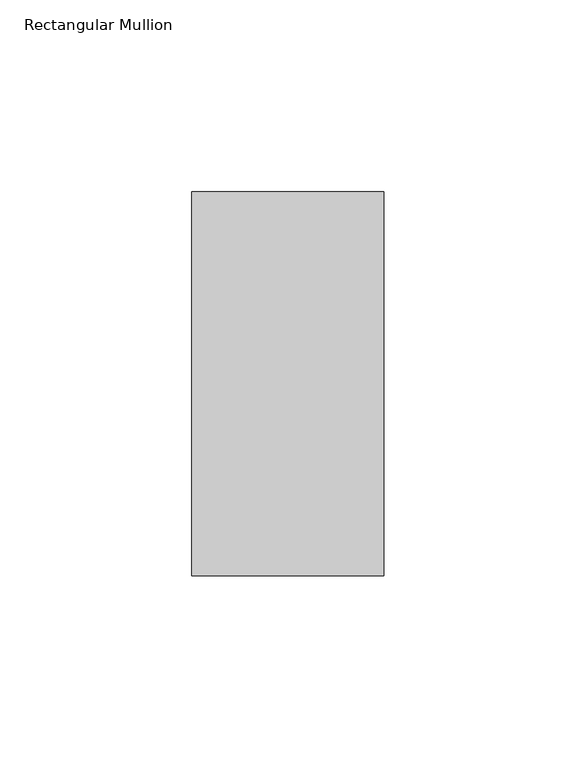
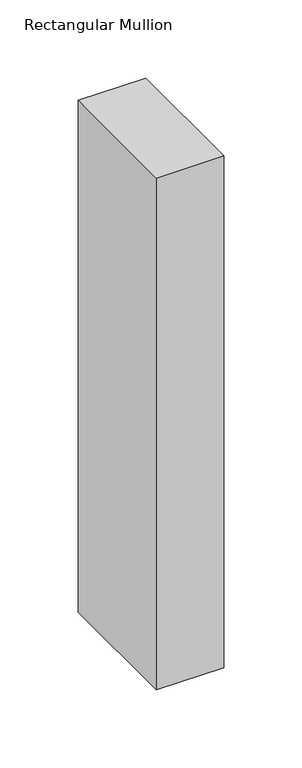
"""IFC4 building model written with IfcOpenShell, lengths in millimetres: member geometry, Rectangular Mullion."""

from ifc_helpers import new_model, si_unit, frame, origin, place, context, project, spatial, polyline, outline, extrude, source, transform, mapped, element, save


def rectangular_mullion_768d3707(model_context):
    return source(origin(), model_context, "Body", "SweptSolid", [
        extrude(outline(polyline([(25.0, 31.0), (25.0, -69.0), (-25.0, -69.0), (-25.0, 31.0), (25.0, 31.0)])), frame((0.0, 0.0, -400.0), z_axis=(0.0, 0.0, 1.0), x_axis=(1.0, 0.0, 0.0)), (0.0, 0.0, 1.0), 400.0),
    ])


if __name__ == "__main__":
    model = new_model("IFC4")
    model_context = context("Model", 3, world=origin())
    ifc_project = project(units=[si_unit("LENGTHUNIT", "METRE", prefix="MILLI")], contexts=[model_context])
    site = spatial("IfcSite", under=ifc_project)
    building = spatial("IfcBuilding", under=site)
    placement = place(None, origin())
    rectangular_mullion_shape = rectangular_mullion_768d3707(model_context)
    element("IfcMember", 1, ObjectType="Rectangular Mullion", at=placement, inside=building, context=model_context, shape_type="MappedRepresentation", body=[
        mapped(rectangular_mullion_shape, transform((0.0, 0.0, 0.0), x_axis=(1.0, 0.0, 0.0), y_axis=(0.0, 1.0, 0.0), z_axis=(0.0, 0.0, 1.0))),
    ])
    save(model, "model.ifc")
